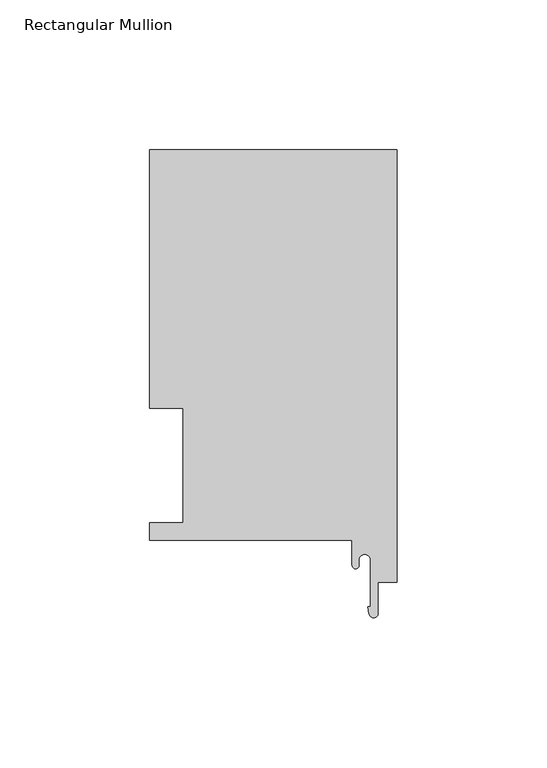
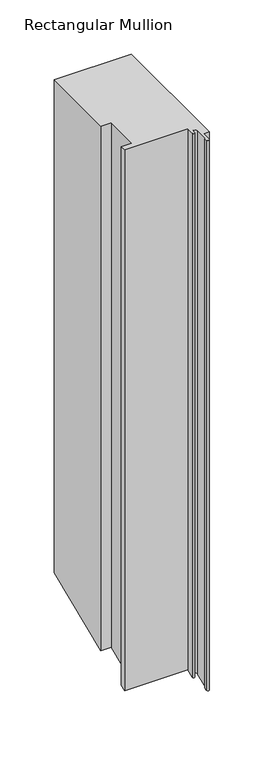
"""IFC4 building model written with IfcOpenShell, lengths in millimetres: member geometry, Rectangular Mullion."""

from ifc_helpers import new_model, si_unit, frame, origin, place, context, project, spatial, polyline, circle_curve, ellipse_curve, source, transform, mapped, element, save
from ifc_brep_helpers import plane_surface, cylinder_surface, revolved_surface, advanced_brep


def rectangular_mullion_728666fa(model_context):
    return source(origin(), model_context, "Body", "AdvancedBrep", [
        advanced_brep(
        [(-82.55, 130.6322, 0.0), (-82.55, 44.45, 0.0), (-71.4450019, 44.45, 0.0), (-71.4450019, 6.35, 0.0), (-82.55, 6.35, 0.0), (-82.55, 0.4064, 0.0), (-14.986, 0.4064, 0.0), (-14.986, -7.9405445, 0.0), (-12.7, -7.9405445, 0.0), (-12.7, -6.1214, 0.0), (-8.89, -6.1214, 0.0), (-8.89, -21.7079145, 0.0), (-9.6940977, -21.7079145, 0.0), (-9.338383, -24.1171734, 0.0), (-6.35, -23.8977531, 0.0), (-6.35, -13.5385716, 0.0), (0.0, -13.5385716, 0.0), (0.0, 130.6322, 0.0), (-82.55, 130.6322, -556.2165617), (-82.55, 44.45, -591.9143978), (-71.4450019, 44.45, -591.9143978), (-71.4450019, 6.35, -607.6959345), (-82.55, 6.35, -607.6959345), (-82.55, 0.4064, -610.1578542), (-14.986, 0.4064, -610.1578542), (-14.986, -7.9405445, -613.6152718), (-12.7, -7.9405445, -613.6152718), (-12.7, -6.1214, -612.8617575), (-8.89, -6.1214, -612.8617575), (-8.89, -21.7079145, -619.3179032), (-9.6940977, -21.7079145, -619.3179032), (-9.338383, -24.1171734, -620.315851), (-6.35, -23.8977531, -620.2249641), (-6.35, -13.5385716, -615.9340506), (0.0, -13.5385716, -615.9340506), (0.0, 130.6322, -556.2165617)],
        [
            (0, 1),
            (1, 2),
            (2, 3),
            (3, 4),
            (4, 5),
            (5, 6),
            (6, 7),
            (7, 8, circle_curve(frame((-13.843, -7.9405445, 0.0), z_axis=(0.0, 0.0, 1.0), x_axis=(0.0, 1.0, 0.0)), 1.143)),
            (8, 9),
            (9, 10, circle_curve(frame((-10.795, -6.1214, 0.0), z_axis=(0.0, 0.0, -1.0), x_axis=(0.0, 1.0, 0.0)), 1.905)),
            (10, 11),
            (11, 12),
            (12, 13),
            (13, 14, circle_curve(frame((-7.8522469, -23.8977531, 0.0), z_axis=(0.0, 0.0, 1.0), x_axis=(0.0, 1.0, 0.0)), 1.5022469)),
            (14, 15),
            (15, 16),
            (16, 17),
            (17, 0),
            (0, 18),
            (18, 19),
            (19, 1),
            (19, 20),
            (20, 2),
            (20, 21),
            (21, 3),
            (21, 22),
            (22, 4),
            (22, 23),
            (23, 5),
            (23, 24),
            (24, 6),
            (24, 25),
            (25, 7),
            (25, 26, ellipse_curve(frame((-13.843, -7.9405445, -613.6152718), z_axis=(0.0, -0.3826834323650894, 0.923879532511287), x_axis=(0.0, 0.9238795325112871, 0.3826834323650891)), 1.2371743, 1.143)),
            (26, 8),
            (26, 27),
            (27, 9),
            (27, 28, ellipse_curve(frame((-10.795, -6.1214, -612.8617575), z_axis=(0.0, 0.3826834323650894, -0.923879532511287), x_axis=(0.0, -0.9238795325112871, -0.3826834323650891)), 2.0619571, 1.905)),
            (28, 10),
            (28, 29),
            (29, 11),
            (29, 30),
            (30, 12),
            (30, 31),
            (31, 13),
            (31, 32, ellipse_curve(frame((-7.8522469, -23.8977531, -620.2249641), z_axis=(0.0, -0.3826834323650894, 0.923879532511287), x_axis=(0.0, 0.9238795325112871, 0.3826834323650891)), 1.6260203, 1.5022469)),
            (32, 14),
            (32, 33),
            (33, 15),
            (33, 34),
            (34, 16),
            (34, 35),
            (35, 17),
            (35, 18),
        ],
        [
            plane_surface(frame((0.0, -154.5292017, 0.0), z_axis=(0.0, 0.0, 1.0), x_axis=(-1.0, 0.0, 0.0))),
            plane_surface(frame((-82.55, 130.6322, 0.0), z_axis=(-1.0, 0.0, 0.0), x_axis=(0.0, 0.0, -1.0))),
            plane_surface(frame((-82.55, 44.45, 0.0), z_axis=(0.0, -1.0, 0.0), x_axis=(0.0, 0.0, -1.0))),
            plane_surface(frame((-71.4450019, 44.45, 0.0), z_axis=(-1.0, 0.0, 0.0), x_axis=(0.0, 0.0, -1.0))),
            plane_surface(frame((-71.4450019, 6.35, 0.0), z_axis=(0.0, 1.0, 0.0), x_axis=(0.0, 0.0, -1.0))),
            plane_surface(frame((-82.55, 6.35, 0.0), z_axis=(-1.0, 0.0, 0.0), x_axis=(0.0, 0.0, -1.0))),
            plane_surface(frame((-82.55, 0.4064, 0.0), z_axis=(0.0, -1.0, 0.0), x_axis=(0.0, 0.0, -1.0))),
            plane_surface(frame((-14.986, 0.4064, 0.0), z_axis=(-1.0, 0.0, 0.0), x_axis=(0.0, 0.0, -1.0))),
            cylinder_surface(frame((-13.843, -7.9405445, 0.0), z_axis=(0.0, 0.0, 1.0), x_axis=(0.0, 1.0, 0.0)), 1.143),
            plane_surface(frame((-12.7, -7.9405445, 0.0), z_axis=(1.0, 0.0, 0.0), x_axis=(0.0, 0.0, -1.0))),
            revolved_surface(polyline([(-10.795, -4.2164, -613.6508343204175), (-10.795, -4.2164, 0.0)]), (-10.795, -6.1214, 0.0), (0.0, 0.0, -1.0)),
            plane_surface(frame((-8.89, -6.1214, 0.0), z_axis=(-1.0, 0.0, 0.0), x_axis=(0.0, 0.0, -1.0))),
            plane_surface(frame((-8.89, -21.7079145, 0.0), z_axis=(0.0, 1.0, 0.0), x_axis=(0.0, 0.0, -1.0))),
            plane_surface(frame((-9.6940977, -21.7079145, 0.0), z_axis=(-0.9892755186217809, -0.14606145369537674, 0.0), x_axis=(0.0, 0.0, -1.0))),
            cylinder_surface(frame((-7.8522469, -23.8977531, 0.0), z_axis=(0.0, 0.0, 1.0), x_axis=(0.0, 1.0, 0.0)), 1.5022469),
            plane_surface(frame((-6.35, -23.8977531, 0.0), z_axis=(1.0, 0.0, 0.0), x_axis=(0.0, 0.0, -1.0))),
            plane_surface(frame((-6.35, -13.5385716, 0.0), z_axis=(0.0, -1.0, 0.0), x_axis=(0.0, 0.0, -1.0))),
            plane_surface(frame((0.0, -13.5385716, 0.0), z_axis=(1.0, 0.0, 0.0), x_axis=(0.0, 0.0, -1.0))),
            plane_surface(frame((0.0, 130.6322, 0.0), z_axis=(0.0, 1.0, 0.0), x_axis=(0.0, 0.0, -1.0))),
            plane_surface(frame((-304.8, 0.0, -610.3261906), z_axis=(0.0, 0.3826834323650894, -0.923879532511287), x_axis=(0.0, 0.923879532511287, 0.3826834323650894))),
        ],
        [
            (0, [[1, 2, 3, 4, 5, 6, 7, 8, 9, 10, 11, 12, 13, 14, 15, 16, 17, 18]]),
            (1, [[-1, 19, 20, 21]]),
            (2, [[-2, -21, 22, 23]]),
            (3, [[-3, -23, 24, 25]]),
            (4, [[-4, -25, 26, 27]]),
            (5, [[-5, -27, 28, 29]]),
            (6, [[-6, -29, 30, 31]]),
            (7, [[-7, -31, 32, 33]]),
            (8, [[-8, -33, 34, 35]]),
            (9, [[-9, -35, 36, 37]]),
            (10, [[-10, -37, 38, 39]]),
            (11, [[-11, -39, 40, 41]]),
            (12, [[-12, -41, 42, 43]]),
            (13, [[-13, -43, 44, 45]]),
            (14, [[-14, -45, 46, 47]]),
            (15, [[-15, -47, 48, 49]]),
            (16, [[-16, -49, 50, 51]]),
            (17, [[-17, -51, 52, 53]]),
            (18, [[-18, -53, 54, -19]]),
            (19, [[-54, -52, -50, -48, -46, -44, -42, -40, -38, -36, -34, -32, -30, -28, -26, -24, -22, -20]]),
        ],
    ),
    ])


if __name__ == "__main__":
    model = new_model("IFC4")
    model_context = context("Model", 3, world=origin())
    ifc_project = project(units=[si_unit("LENGTHUNIT", "METRE", prefix="MILLI")], contexts=[model_context])
    site = spatial("IfcSite", under=ifc_project)
    building = spatial("IfcBuilding", under=site)
    placement = place(None, origin())
    rectangular_mullion_shape = rectangular_mullion_728666fa(model_context)
    element("IfcMember", 1, ObjectType="Rectangular Mullion", at=placement, inside=building, context=model_context, shape_type="MappedRepresentation", body=[
        mapped(rectangular_mullion_shape, transform((0.0, 0.0, 0.0), x_axis=(1.0, 0.0, 0.0), y_axis=(0.0, 1.0, 0.0), z_axis=(0.0, 0.0, 1.0))),
    ])
    save(model, "model.ifc")
